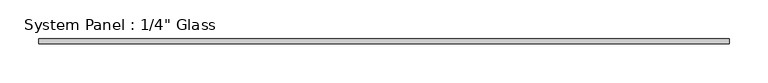
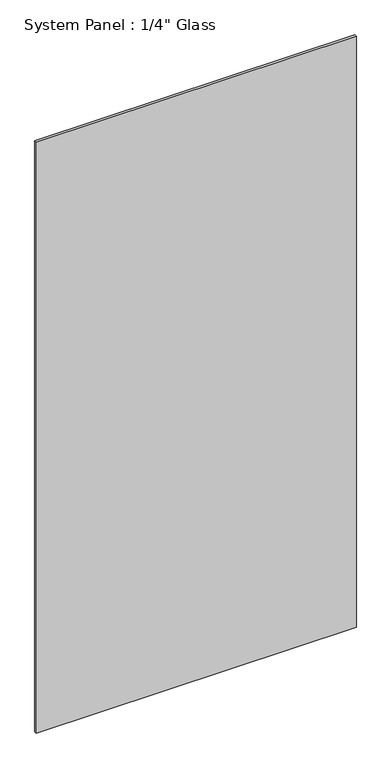
"""IFC4 building model written with IfcOpenShell, lengths in millimetres: plate geometry."""

from ifc_helpers import new_model, si_unit, origin, origin_with_axes, place, context, project, spatial, polyline, outline, extrude, source, transform, mapped, element, save


def plate_d9aa450a(model_context):
    return source(origin(), model_context, "Body", "SweptSolid", [
        extrude(outline(polyline([(446.0875, -3.175), (-446.0875, -3.175), (-446.0875, 3.175), (446.0875, 3.175), (446.0875, -3.175)])), origin_with_axes(), (0.0, 0.0, 1.0), 1739.9),
    ])


if __name__ == "__main__":
    model = new_model("IFC4")
    model_context = context("Model", 3, world=origin())
    ifc_project = project(units=[si_unit("LENGTHUNIT", "METRE", prefix="MILLI")], contexts=[model_context])
    site = spatial("IfcSite", under=ifc_project)
    building = spatial("IfcBuilding", under=site)
    placement = place(None, origin())
    plate_shape = plate_d9aa450a(model_context)
    element("IfcPlate", 1, ObjectType="System Panel : 1/4\" Glass", at=placement, inside=building, context=model_context, shape_type="MappedRepresentation", body=[
        mapped(plate_shape, transform((0.0, 0.0, 0.0), x_axis=(1.0, 0.0, 0.0), y_axis=(0.0, 1.0, 0.0), z_axis=(0.0, 0.0, 1.0))),
    ])
    save(model, "model.ifc")
